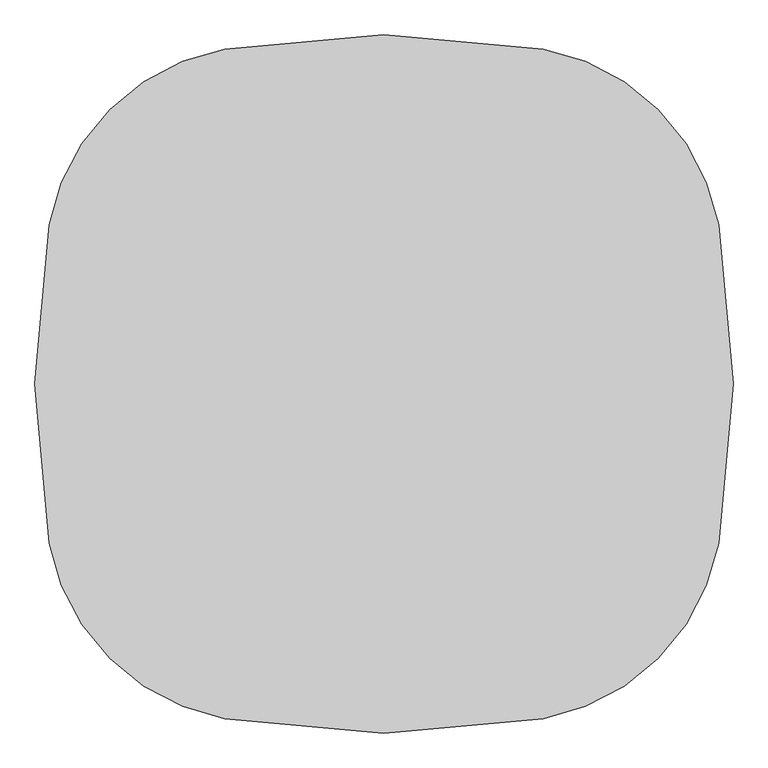
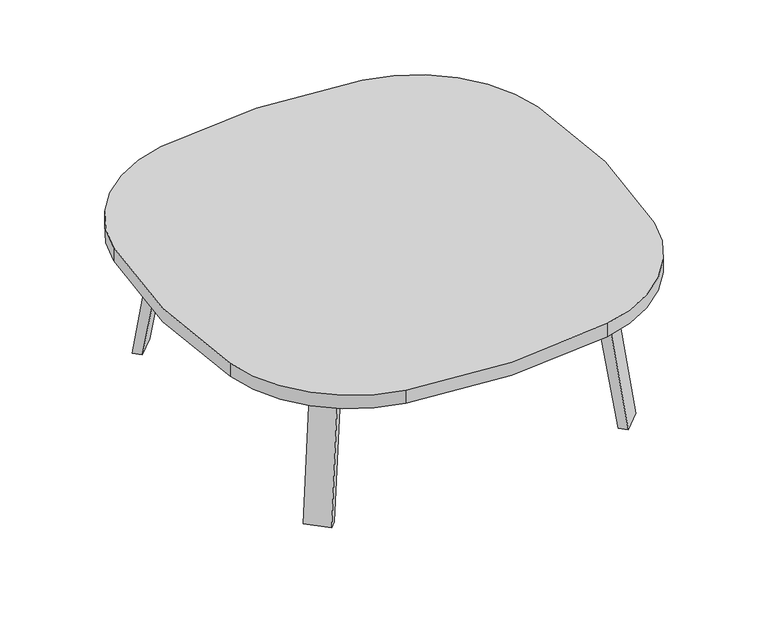
"""IFC4 building model written with IfcOpenShell, lengths in millimetres: furniture geometry."""

import ifcopenshell
import ifcopenshell.guid

model = None  # the IFC model being written
_history = None  # IfcOwnerHistory: only IFC2X3 demands one
_inside = {}  # id of a spatial element -> (the spatial element, [elements in it])
_under = {}  # id of a project, library or spatial element -> (it, [spatial elements below it])
_declared = {}  # id of a project -> (the project, [libraries it declares])
_typed = {}  # id of a type object -> (the type object, [elements of that type])
_made_of = {}  # id of a material, layer set ... -> (it, [elements and type objects made of it])


def new_model(schema):
    """Start an empty IFC model of exactly this schema.

    Asked for "IFC4X3", IfcOpenShell would pick the latest addendum, in which some entities
    have other attributes; the version numbers below select the first issue.
    IFC2X3 requires an IfcOwnerHistory on every rooted entity: one is made here for all.
    """
    global model, _history
    if schema == "IFC4X3":
        model = ifcopenshell.file(schema_version=(4, 3, 0, 0))
    else:
        model = ifcopenshell.file(schema=schema)
    _inside.clear()
    _under.clear()
    _declared.clear()
    _typed.clear()
    _made_of.clear()
    _history = None
    if model.schema == "IFC2X3":
        org = make("IfcOrganization", Name="unknown")
        user = make(
            "IfcPersonAndOrganization",
            ThePerson=make("IfcPerson", FamilyName="unknown"),
            TheOrganization=org,
        )
        app = make(
            "IfcApplication",
            ApplicationDeveloper=org,
            Version="unknown",
            ApplicationFullName="unknown",
            ApplicationIdentifier="unknown",
        )
        _history = make(
            "IfcOwnerHistory",
            OwningUser=user,
            OwningApplication=app,
            ChangeAction="ADDED",
            CreationDate=0,
        )
    return model


def make(cls, **values):
    """One entity of the class cls with the attributes given. An attribute that is None is left unset."""
    return model.create_entity(
        cls, **{name: value for name, value in values.items() if value is not None}
    )


def rooted(cls, **values):
    """An entity with a GlobalId (a new one), such as an element, a storey or a relation."""
    return make(cls, GlobalId=ifcopenshell.guid.new(), OwnerHistory=_history, **values)


def si_unit(unit_type, name, prefix=None):
    """IfcSIUnit, for example si_unit("LENGTHUNIT", "METRE", prefix="MILLI")."""
    return make("IfcSIUnit", UnitType=unit_type, Prefix=prefix, Name=name)


def assignment(units):
    """IfcUnitAssignment: the units of a project."""
    return None if units is None else make("IfcUnitAssignment", Units=units)


def point(xyz):
    """IfcCartesianPoint."""
    return None if xyz is None else make("IfcCartesianPoint", Coordinates=xyz)


def direction(xyz):
    """IfcDirection."""
    return None if xyz is None else make("IfcDirection", DirectionRatios=xyz)


def frame(location, z_axis=None, x_axis=None):
    """IfcAxis2Placement3D, a coordinate frame: its origin and axes. An axis left out is left unset."""
    return make(
        "IfcAxis2Placement3D",
        Location=point(location),
        Axis=direction(z_axis),
        RefDirection=direction(x_axis),
    )


def frame_2d(location, x_axis=None):
    """IfcAxis2Placement2D, a coordinate frame in the plane: its origin and x axis."""
    return make(
        "IfcAxis2Placement2D", Location=point(location), RefDirection=direction(x_axis)
    )


def origin():
    """The frame at (0, 0, 0) with its axes left unset."""
    return frame((0.0, 0.0, 0.0))


def place(relative_to, where):
    """IfcLocalPlacement: puts the frame where relative to a parent placement (None: the world)."""
    return make(
        "IfcLocalPlacement", PlacementRelTo=relative_to, RelativePlacement=where
    )


def context(
    kind, dimensions, precision=None, world=None, true_north=None, identifier=None
):
    """IfcGeometricRepresentationContext, for example the 3D "Model" context."""
    return make(
        "IfcGeometricRepresentationContext",
        ContextIdentifier=identifier,
        ContextType=kind,
        CoordinateSpaceDimension=dimensions,
        Precision=precision,
        WorldCoordinateSystem=world,
        TrueNorth=true_north,
    )


def project(units=None, contexts=None):
    """IfcProject with its units and contexts."""
    return rooted(
        "IfcProject",
        Name="project",
        RepresentationContexts=contexts,
        UnitsInContext=assignment(units),
    )


def spatial(cls, under=None, at=None, **own):
    """A site, building, storey or space (cls), placed at a placement, below another one or the project."""
    s = rooted(cls, ObjectPlacement=at, **own)
    if under is not None:
        _under.setdefault(under.id(), (under, []))[1].append(s)
    return s


def polyline(points):
    """IfcPolyline through the points."""
    return make("IfcPolyline", Points=[point(p) for p in points])


def circle_curve(where, radius):
    """IfcCircle in the frame where."""
    return make("IfcCircle", Position=where, Radius=radius)


def trimmed(basis, trim1, trim2, sense, master):
    """IfcTrimmedCurve: the piece of a basis curve between two trims."""
    return make(
        "IfcTrimmedCurve",
        BasisCurve=basis,
        Trim1=trim1,
        Trim2=trim2,
        SenseAgreement=sense,
        MasterRepresentation=master,
    )


def segment(curve, same_sense, transition):
    """IfcCompositeCurveSegment."""
    return make(
        "IfcCompositeCurveSegment",
        Transition=transition,
        SameSense=same_sense,
        ParentCurve=curve,
    )


def composite_curve(segments, self_intersect=None):
    """IfcCompositeCurve: segments joined end to end."""
    return make("IfcCompositeCurve", Segments=segments, SelfIntersect=self_intersect)


def outline(outer, holes=None, kind="AREA"):
    """IfcArbitraryClosedProfileDef: a profile drawn as a closed curve; with holes, ...WithVoids."""
    if holes is None:
        return make("IfcArbitraryClosedProfileDef", ProfileType=kind, OuterCurve=outer)
    return make(
        "IfcArbitraryProfileDefWithVoids",
        ProfileType=kind,
        OuterCurve=outer,
        InnerCurves=holes,
    )


def extrude(swept, where, along, depth):
    """IfcExtrudedAreaSolid: the profile swept, set in the frame where, extruded along a direction by depth."""
    return make(
        "IfcExtrudedAreaSolid",
        SweptArea=swept,
        Position=where,
        ExtrudedDirection=direction(along),
        Depth=depth,
    )


def faces_of(points, faces, orient=None, outer=None):
    """IfcFace entities. A face is a list of loops; a loop is a list of indices into points, from 0.

    orient and outer hold one flag for each loop. By default every Orientation is true, the
    first loop of a face is its IfcFaceOuterBound and the others are IfcFaceBound.
    """
    made = []
    for i, loops in enumerate(faces):
        bounds = []
        for j, loop in enumerate(loops):
            is_outer = j == 0 if outer is None else outer[i][j]
            bounds.append(
                make(
                    "IfcFaceOuterBound" if is_outer else "IfcFaceBound",
                    Bound=make("IfcPolyLoop", Polygon=[points[k] for k in loop]),
                    Orientation=True if orient is None else orient[i][j],
                )
            )
        made.append(make("IfcFace", Bounds=bounds))
    return made


def faceted_brep(points, faces, orient=None, outer=None, voids=None):
    """IfcFacetedBrep: a solid bounded by flat faces; with voids (closed shells), ...WithVoids."""
    shared = [point(p) for p in points]
    hull = make("IfcClosedShell", CfsFaces=faces_of(shared, faces, orient, outer))
    if voids is None:
        return make("IfcFacetedBrep", Outer=hull)
    return make(
        "IfcFacetedBrepWithVoids",
        Outer=hull,
        Voids=[
            make(cls, CfsFaces=faces_of(shared, fs, o, b)) for cls, fs, o, b in voids
        ],
    )


def shape(context_of_items, identifier, shape_type, items):
    """IfcShapeRepresentation: the items that make up one representation, for example the "Body"."""
    return make(
        "IfcShapeRepresentation",
        ContextOfItems=context_of_items,
        RepresentationIdentifier=identifier,
        RepresentationType=shape_type,
        Items=items,
    )


def source(mapping_origin, context_of_items, identifier, shape_type, items):
    """IfcRepresentationMap: a shape defined once, which mapped items show again and again."""
    return make(
        "IfcRepresentationMap",
        MappingOrigin=mapping_origin,
        MappedRepresentation=shape(context_of_items, identifier, shape_type, items),
    )


def transform(
    local_origin,
    x_axis=None,
    y_axis=None,
    z_axis=None,
    scale=None,
    scale2=None,
    scale3=None,
    uniform=True,
):
    """IfcCartesianTransformationOperator3D, or its non-uniform kind. x_axis, y_axis, z_axis: its Axis1, 2, 3."""
    if uniform:
        return make(
            "IfcCartesianTransformationOperator3D",
            Axis1=direction(x_axis),
            Axis2=direction(y_axis),
            LocalOrigin=point(local_origin),
            Scale=scale,
            Axis3=direction(z_axis),
        )
    return make(
        "IfcCartesianTransformationOperator3DnonUniform",
        Axis1=direction(x_axis),
        Axis2=direction(y_axis),
        LocalOrigin=point(local_origin),
        Scale=scale,
        Axis3=direction(z_axis),
        Scale2=scale2,
        Scale3=scale3,
    )


def mapped(mapping_source, mapping_target):
    """IfcMappedItem: shows the shape of a source again, moved by a transform."""
    return make(
        "IfcMappedItem", MappingSource=mapping_source, MappingTarget=mapping_target
    )


def made_of(thing, what):
    """Note that an element or type object is made of a material, layer set ...; save() writes the relation."""
    if what is not None:
        _made_of.setdefault(what.id(), (what, []))[1].append(thing)
    return thing


def element(
    cls,
    number,
    at=None,
    inside=None,
    cuts=None,
    type_object=None,
    material=None,
    context=None,
    identifier="Body",
    shape_type=None,
    held_by="IfcProductDefinitionShape",
    body=None,
    shapes=None,
    **own,
):
    """One element of the class cls, such as IfcWall. Its Tag is "e" and its number.

    at: its placement. inside: the storey or other place that contains it. cuts: it is an
    opening in that element (IfcRelVoidsElement). A single representation is given by context,
    identifier, shape_type and body (its items); several are given by shapes. held_by: the class
    of the entity that holds the representations. save() writes the other relations.
    """
    e = rooted(cls, Tag="e%d" % number, ObjectPlacement=at, **own)
    if body is not None:
        shapes = [shape(context, identifier, shape_type, body)]
    if shapes is not None:
        e.Representation = make(held_by, Representations=shapes)
    if inside is not None:
        _inside.setdefault(inside.id(), (inside, []))[1].append(e)
    if cuts is not None:
        rooted(
            "IfcRelVoidsElement", RelatingBuildingElement=cuts, RelatedOpeningElement=e
        )
    if type_object is not None:
        _typed.setdefault(type_object.id(), (type_object, []))[1].append(e)
    return made_of(e, material)


def aggregate(whole, parts):
    """IfcRelAggregates: a whole, such as a stair, and the parts it consists of."""
    return rooted("IfcRelAggregates", RelatingObject=whole, RelatedObjects=parts)


def save(model, path):
    """Write the relations noted so far, then the file.

    IfcRelAggregates (storeys below a building ...), IfcRelContainedInSpatialStructure (elements
    in a storey), IfcRelDefinesByType, IfcRelAssociatesMaterial and IfcRelDeclares: one each for
    every whole, place, type object, material and project.
    """
    for whole, parts in _under.values():
        aggregate(whole, parts)
    for where, things in _inside.values():
        rooted(
            "IfcRelContainedInSpatialStructure",
            RelatedElements=things,
            RelatingStructure=where,
        )
    for kind, things in _typed.values():
        rooted("IfcRelDefinesByType", RelatedObjects=things, RelatingType=kind)
    for what, things in _made_of.values():
        rooted("IfcRelAssociatesMaterial", RelatedObjects=things, RelatingMaterial=what)
    for by, libraries in _declared.values():
        rooted("IfcRelDeclares", RelatingContext=by, RelatedDefinitions=libraries)
    model.write(path)


def furniture_10e338fb(model_context):
    return source(origin(), model_context, "Body", "SolidModel", [
        extrude(outline(composite_curve([segment(trimmed(circle_curve(frame_2d((-939.8, 0.0)), 1549.4), [point((584.4560823, 277.9995605))], [point((584.4560823, -277.9995605))], False, "CARTESIAN"), True, "CONTINUOUS"), segment(trimmed(circle_curve(frame_2d((209.6390129, -209.6390129)), 381.0), [point((584.4560823, -277.9995605))], [point((277.9995605, -584.4560823))], False, "CARTESIAN"), True, "CONTINUOUS"), segment(trimmed(circle_curve(frame_2d((0.0, 939.8)), 1549.4), [point((277.9995605, -584.4560823))], [point((-277.9995605, -584.4560823))], False, "CARTESIAN"), True, "CONTINUOUS"), segment(trimmed(circle_curve(frame_2d((-209.6390129, -209.6390129)), 381.0), [point((-277.9995605, -584.4560823))], [point((-584.4560823, -277.9995605))], False, "CARTESIAN"), True, "CONTINUOUS"), segment(trimmed(circle_curve(frame_2d((939.8, 0.0)), 1549.4), [point((-584.4560823, -277.9995605))], [point((-584.4560823, 277.9995605))], False, "CARTESIAN"), True, "CONTINUOUS"), segment(trimmed(circle_curve(frame_2d((-209.6390129, 209.6390129)), 381.0), [point((-584.4560823, 277.9995605))], [point((-277.9995605, 584.4560823))], False, "CARTESIAN"), True, "CONTINUOUS"), segment(trimmed(circle_curve(frame_2d((0.0, -939.8)), 1549.4), [point((-277.9995605, 584.4560823))], [point((277.9995605, 584.4560823))], False, "CARTESIAN"), True, "CONTINUOUS"), segment(trimmed(circle_curve(frame_2d((209.6390129, 209.6390129)), 381.0), [point((277.9995605, 584.4560823))], [point((584.4560823, 277.9995605))], False, "CARTESIAN"), True, "CONTINUOUS")], self_intersect=False)), frame((0.0, 0.0, 393.7), z_axis=(0.0, 0.0, 1.0), x_axis=(1.0, 0.0, 0.0)), (0.0, 0.0, 1.0), 38.1),
        faceted_brep([(227.5573355, -352.5740831, 390.525), (267.0704624, -313.0609562, 390.525), (322.1867843, -368.1772782, 390.525), (315.5451366, -374.8189259, 390.525), (254.4981038, -379.5148515, 390.525), (374.8189259, -315.5451366, 390.525), (368.8841162, -321.4799463, 390.525), (313.7677942, -266.3636244, 390.525), (353.2809212, -226.8504974, 390.525), (380.2216895, -253.7912658, 390.525), (227.5573355, -352.5740831, 393.7), (254.4981038, -379.5148515, 393.7), (315.5451366, -374.8189259, 393.7), (374.8189259, -315.5451366, 393.7), (380.2216895, -253.7912658, 393.7), (353.2809212, -226.8504974, 393.7), (322.1867843, -368.1772782, 368.3), (368.8841162, -321.4799463, 368.3), (277.2855037, -323.2759975, 368.3), (323.9828356, -276.5786657, 368.3)], [[[0, 1, 2, 3, 4]], [[5, 6, 7, 8, 9]], [[10, 11, 12, 13, 14, 15]], [[4, 11, 10, 0]], [[3, 12, 11, 4]], [[12, 3, 2, 16, 17, 6, 5, 13]], [[9, 14, 13, 5]], [[8, 15, 14, 9]], [[15, 8, 7, 1, 0, 10]], [[2, 1, 18, 16]], [[7, 6, 17, 19]], [[18, 19, 17, 16]], [[1, 7, 19, 18]]]),
        extrude(outline(composite_curve([segment(polyline([(-398.4146379, 0.0), (-408.1545858, 62.748573), (-383.0551566, 66.6445522), (-379.5627212, 44.1449106)]), True, "CONTINUOUS"), segment(trimmed(circle_curve(frame_2d((-360.7381493, 47.066895)), 19.05), [point((-379.5627212, 44.1449106))], [point((-359.4679535, 28.0592886))], True, "CARTESIAN"), True, "CONTINUOUS"), segment(polyline([(-359.4679535, 28.0592886), (-3.9108612, 25.195305), (0.0, 0.0), (-398.4146379, 0.0)]), True, "CONTINUOUS")], self_intersect=False)), frame((408.5994909, -457.9908995, 0.0), z_axis=(0.7071067811865512, 0.7071067811865439, 0.0), x_axis=(0.1084595775949888, -0.10845957759497554, -0.9881665042166913)), (0.0, 0.0, 1.0), 69.85),
        faceted_brep([(227.5573355, 352.5740831, 390.525), (254.4981038, 379.5148515, 390.525), (315.5451366, 374.8189259, 390.525), (322.1867843, 368.1772782, 390.525), (267.0704624, 313.0609562, 390.525), (374.8189259, 315.5451366, 390.525), (380.2216895, 253.7912658, 390.525), (353.2809212, 226.8504974, 390.525), (313.7677942, 266.3636244, 390.525), (368.8841162, 321.4799463, 390.525), (227.5573355, 352.5740831, 393.7), (353.2809212, 226.8504974, 393.7), (380.2216895, 253.7912658, 393.7), (374.8189259, 315.5451366, 393.7), (315.5451366, 374.8189259, 393.7), (254.4981038, 379.5148515, 393.7), (368.8841162, 321.4799463, 368.3), (322.1867843, 368.1772782, 368.3), (277.2855037, 323.2759975, 368.3), (323.9828356, 276.5786657, 368.3)], [[[0, 1, 2, 3, 4]], [[5, 6, 7, 8, 9]], [[10, 11, 12, 13, 14, 15]], [[1, 0, 10, 15]], [[2, 1, 15, 14]], [[14, 13, 5, 9, 16, 17, 3, 2]], [[6, 5, 13, 12]], [[7, 6, 12, 11]], [[11, 10, 0, 4, 8, 7]], [[3, 17, 18, 4]], [[8, 19, 16, 9]], [[18, 17, 16, 19]], [[4, 18, 19, 8]]]),
        extrude(outline(composite_curve([segment(polyline([(398.4146379, 0.0), (408.1545858, -62.748573), (383.0551566, -66.6445522), (379.5627212, -44.1449106)]), True, "CONTINUOUS"), segment(trimmed(circle_curve(frame_2d((360.7381493, -47.066895)), 19.05), [point((379.5627212, -44.1449106))], [point((359.4679535, -28.0592886))], True, "CARTESIAN"), True, "CONTINUOUS"), segment(polyline([(359.4679535, -28.0592886), (3.9108612, -25.195305), (0.0, 0.0), (398.4146379, 0.0)]), True, "CONTINUOUS")], self_intersect=False)), frame((457.9908995, 408.5994909, 0.0), z_axis=(-0.7071067811865512, 0.7071067811865439, 0.0), x_axis=(-0.1084595775949888, -0.10845957759497554, 0.9881665042166913)), (0.0, 0.0, 1.0), 69.85),
        faceted_brep([(-227.5573355, 352.5740831, 390.525), (-267.0704624, 313.0609562, 390.525), (-322.1867843, 368.1772782, 390.525), (-315.5451366, 374.8189259, 390.525), (-254.4981038, 379.5148515, 390.525), (-374.8189259, 315.5451366, 390.525), (-368.8841162, 321.4799463, 390.525), (-313.7677942, 266.3636244, 390.525), (-353.2809212, 226.8504974, 390.525), (-380.2216895, 253.7912658, 390.525), (-227.5573355, 352.5740831, 393.7), (-254.4981038, 379.5148515, 393.7), (-315.5451366, 374.8189259, 393.7), (-374.8189259, 315.5451366, 393.7), (-380.2216895, 253.7912658, 393.7), (-353.2809212, 226.8504974, 393.7), (-322.1867843, 368.1772782, 368.3), (-368.8841162, 321.4799463, 368.3), (-277.2855037, 323.2759975, 368.3), (-323.9828356, 276.5786657, 368.3)], [[[0, 1, 2, 3, 4]], [[5, 6, 7, 8, 9]], [[10, 11, 12, 13, 14, 15]], [[4, 11, 10, 0]], [[3, 12, 11, 4]], [[12, 3, 2, 16, 17, 6, 5, 13]], [[9, 14, 13, 5]], [[8, 15, 14, 9]], [[15, 8, 7, 1, 0, 10]], [[2, 1, 18, 16]], [[7, 6, 17, 19]], [[18, 19, 17, 16]], [[1, 7, 19, 18]]]),
        extrude(outline(composite_curve([segment(polyline([(398.4146379, 0.0), (0.0, 0.0), (3.9108612, 25.195305), (359.4679535, 28.0592886)]), True, "CONTINUOUS"), segment(trimmed(circle_curve(frame_2d((360.7381493, 47.066895)), 19.05), [point((359.4679535, 28.0592886))], [point((379.5627212, 44.1449106))], True, "CARTESIAN"), True, "CONTINUOUS"), segment(polyline([(379.5627212, 44.1449106), (383.0551566, 66.6445522), (408.1545858, 62.748573), (398.4146379, 0.0)]), True, "CONTINUOUS")], self_intersect=False)), frame((-457.9908995, 408.5994909, 0.0), z_axis=(0.7071067811865512, 0.7071067811865439, 0.0), x_axis=(0.1084595775949888, -0.10845957759497554, 0.9881665042166913)), (0.0, 0.0, 1.0), 69.85),
        faceted_brep([(-227.5573355, -352.5740831, 390.525), (-254.4981038, -379.5148515, 390.525), (-315.5451366, -374.8189259, 390.525), (-322.1867843, -368.1772782, 390.525), (-267.0704624, -313.0609562, 390.525), (-374.8189259, -315.5451366, 390.525), (-380.2216895, -253.7912658, 390.525), (-353.2809212, -226.8504974, 390.525), (-313.7677942, -266.3636244, 390.525), (-368.8841162, -321.4799463, 390.525), (-227.5573355, -352.5740831, 393.7), (-353.2809212, -226.8504974, 393.7), (-380.2216895, -253.7912658, 393.7), (-374.8189259, -315.5451366, 393.7), (-315.5451366, -374.8189259, 393.7), (-254.4981038, -379.5148515, 393.7), (-368.8841162, -321.4799463, 368.3), (-322.1867843, -368.1772782, 368.3), (-277.2855037, -323.2759975, 368.3), (-323.9828356, -276.5786657, 368.3)], [[[0, 1, 2, 3, 4]], [[5, 6, 7, 8, 9]], [[10, 11, 12, 13, 14, 15]], [[1, 0, 10, 15]], [[2, 1, 15, 14]], [[14, 13, 5, 9, 16, 17, 3, 2]], [[6, 5, 13, 12]], [[7, 6, 12, 11]], [[11, 10, 0, 4, 8, 7]], [[3, 17, 18, 4]], [[8, 19, 16, 9]], [[18, 17, 16, 19]], [[4, 18, 19, 8]]]),
        extrude(outline(composite_curve([segment(polyline([(-398.4146379, 0.0), (0.0, 0.0), (-3.9108612, -25.195305), (-359.4679535, -28.0592886)]), True, "CONTINUOUS"), segment(trimmed(circle_curve(frame_2d((-360.7381493, -47.066895)), 19.05), [point((-359.4679535, -28.0592886))], [point((-379.5627212, -44.1449106))], True, "CARTESIAN"), True, "CONTINUOUS"), segment(polyline([(-379.5627212, -44.1449106), (-383.0551566, -66.6445522), (-408.1545858, -62.748573), (-398.4146379, 0.0)]), True, "CONTINUOUS")], self_intersect=False)), frame((-408.5994909, -457.9908995, 0.0), z_axis=(-0.7071067811865512, 0.7071067811865439, 0.0), x_axis=(-0.1084595775949888, -0.10845957759497554, -0.9881665042166913)), (0.0, 0.0, 1.0), 69.85),
    ])


if __name__ == "__main__":
    model = new_model("IFC4")
    model_context = context("Model", 3, world=origin())
    ifc_project = project(units=[si_unit("LENGTHUNIT", "METRE", prefix="MILLI")], contexts=[model_context])
    site = spatial("IfcSite", under=ifc_project)
    building = spatial("IfcBuilding", under=site)
    placement = place(None, origin())
    furniture_shape = furniture_10e338fb(model_context)
    element("IfcFurniture", 1, at=placement, inside=building, context=model_context, shape_type="MappedRepresentation", body=[
        mapped(furniture_shape, transform((0.0, 0.0, 0.0), x_axis=(1.0, 0.0, 0.0), y_axis=(0.0, 1.0, 0.0), z_axis=(0.0, 0.0, 1.0))),
    ])
    save(model, "model.ifc")
